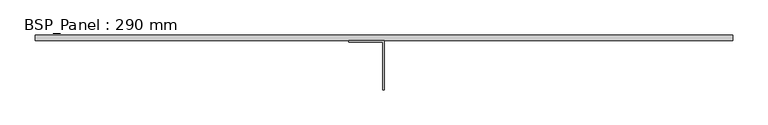
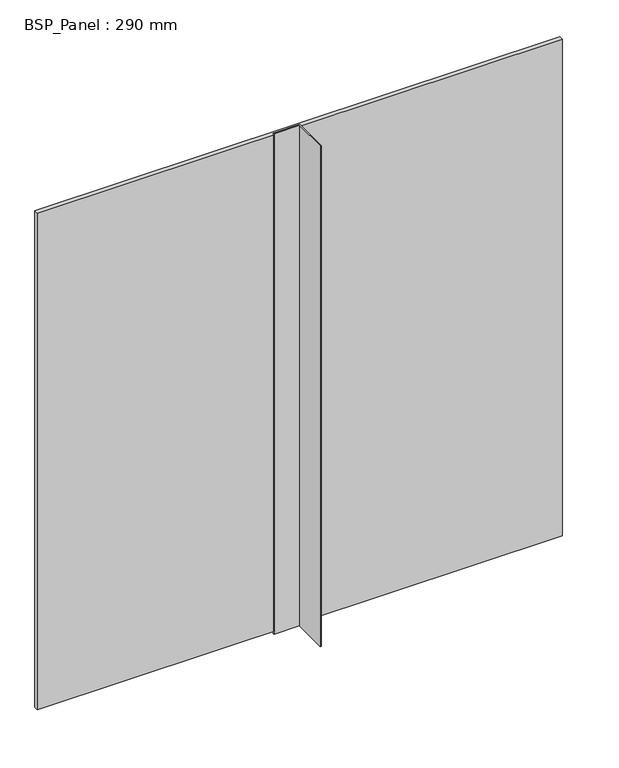
"""IFC4 building model written with IfcOpenShell, lengths in millimetres: plate geometry, BSP_Panel : 290 mm."""

from ifc_helpers import new_model, si_unit, frame, origin, origin_with_axes, place, context, project, spatial, polyline, outline, extrude, source, transform, mapped, element, save


def bsp_panel_290_mm_4545fded(model_context):
    return source(origin(), model_context, "Body", "SweptSolid", [
        extrude(outline(polyline([(496.0000001, 290.0), (496.0000001, 282.0), (-496.0000001, 282.0), (-496.0000001, 290.0), (496.0000001, 290.0)])), frame((0.0, 0.0, 4.0), z_axis=(0.0, 0.0, 1.0), x_axis=(1.0, 0.0, 0.0)), (0.0, 0.0, 1.0), 992.0),
        extrude(outline(polyline([(-50.0, 282.0), (0.0, 282.0), (0.0, 212.0), (-2.0, 212.0), (-2.0, 280.0), (-50.0, 280.0), (-50.0, 282.0)])), origin_with_axes(), (0.0, 0.0, 1.0), 1000.0),
    ])


if __name__ == "__main__":
    model = new_model("IFC4")
    model_context = context("Model", 3, world=origin())
    ifc_project = project(units=[si_unit("LENGTHUNIT", "METRE", prefix="MILLI")], contexts=[model_context])
    site = spatial("IfcSite", under=ifc_project)
    building = spatial("IfcBuilding", under=site)
    placement = place(None, origin())
    bsp_panel_290_mm_shape = bsp_panel_290_mm_4545fded(model_context)
    element("IfcPlate", 1, ObjectType="BSP_Panel : 290 mm", at=placement, inside=building, context=model_context, shape_type="MappedRepresentation", body=[
        mapped(bsp_panel_290_mm_shape, transform((0.0, 0.0, 0.0), x_axis=(1.0, 0.0, 0.0), y_axis=(0.0, 1.0, 0.0), z_axis=(0.0, 0.0, 1.0))),
    ])
    save(model, "model.ifc")
